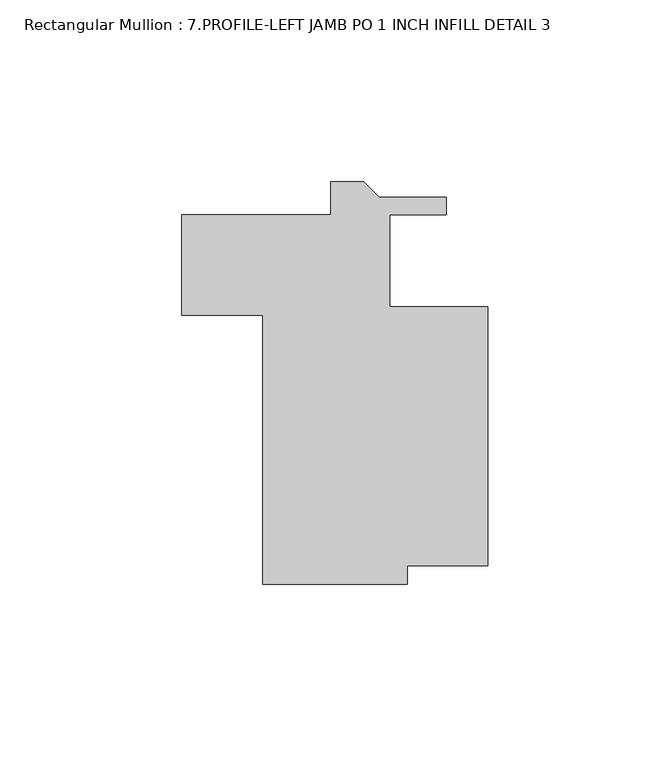
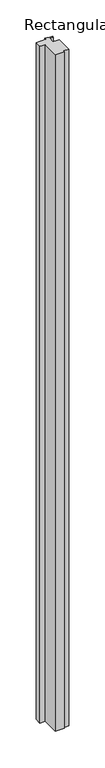
"""IFC4 building model written with IfcOpenShell, lengths in millimetres: member geometry, Rectangular Mullion : 7.PROFILE-LEFT JAMB PO 1 INCH INFILL DETAIL 3."""

from ifc_helpers import new_model, si_unit, frame, origin, place, context, project, spatial, polyline, outline, extrude, source, transform, mapped, element, save


def rectangular_mullion_7_profile_left_jamb_po_1_inch_infill_45172e0f(model_context):
    return source(origin(), model_context, "Body", "SweptSolid", [
        extrude(outline(polyline([(0.0, 70.9929973), (1e-07, -0.1270025), (-22.2249999, -0.1270025), (-22.2249999, -5.2070025), (-61.9124999, -5.2070025), (-61.9124999, 68.7069975), (-84.1308107, 68.7069975), (-84.1308107, 96.3937914), (-43.2363504, 96.3937914), (-43.2363504, 105.3591975), (-34.1360582, 105.3591975), (-29.8688582, 101.0919975), (-11.4863504, 101.0919975), (-11.4863504, 96.3929973), (-26.9874994, 96.3929973), (-26.9874994, 70.9929973), (0.0, 70.9929973)])), frame((0.0, 0.0, -3048.0), z_axis=(0.0, 0.0, 1.0), x_axis=(1.0, 0.0, 0.0)), (0.0, 0.0, 1.0), 3048.0),
    ])


if __name__ == "__main__":
    model = new_model("IFC4")
    model_context = context("Model", 3, world=origin())
    ifc_project = project(units=[si_unit("LENGTHUNIT", "METRE", prefix="MILLI")], contexts=[model_context])
    site = spatial("IfcSite", under=ifc_project)
    building = spatial("IfcBuilding", under=site)
    placement = place(None, origin())
    rectangular_mullion_7_profile_left_jamb_po_1_inch_infill_shape = rectangular_mullion_7_profile_left_jamb_po_1_inch_infill_45172e0f(model_context)
    element("IfcMember", 1, ObjectType="Rectangular Mullion : 7.PROFILE-LEFT JAMB PO 1 INCH INFILL DETAIL 3", at=placement, inside=building, context=model_context, shape_type="MappedRepresentation", body=[
        mapped(rectangular_mullion_7_profile_left_jamb_po_1_inch_infill_shape, transform((0.0, 0.0, 0.0), x_axis=(1.0, 0.0, 0.0), y_axis=(0.0, 1.0, 0.0), z_axis=(0.0, 0.0, 1.0))),
    ])
    save(model, "model.ifc")
